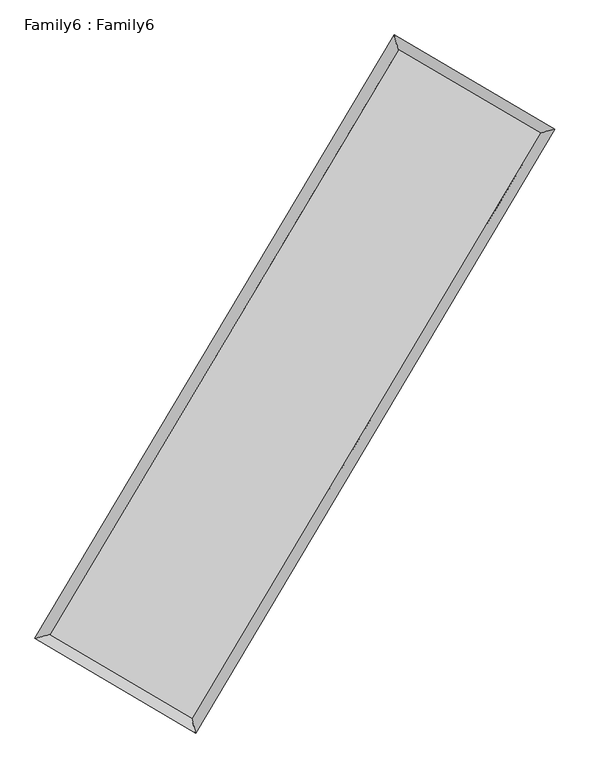
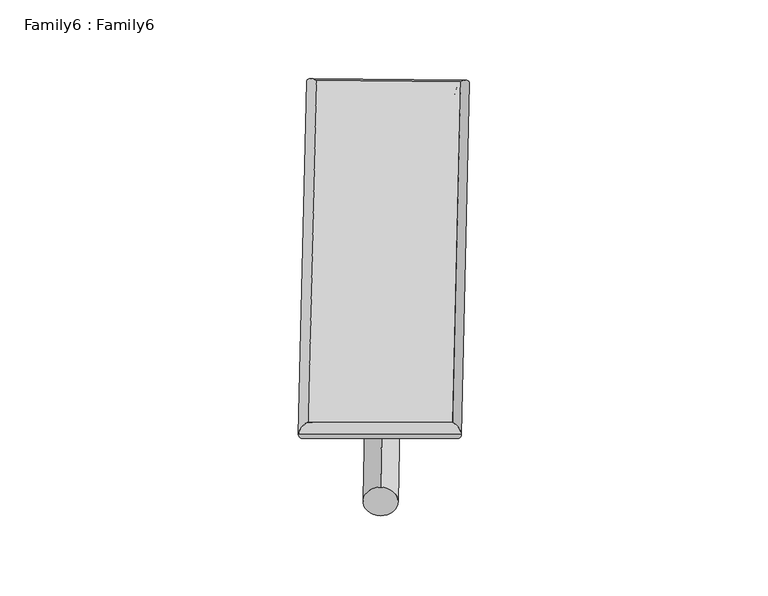
"""IFC4 building model written with IfcOpenShell, lengths in millimetres: plate geometry, Family6 : Family6."""

from ifc_helpers import new_model, si_unit, point, frame, origin, origin_2d, place, context, project, spatial, circle_curve, ellipse_curve, trimmed, segment, composite_curve, outline, extrude, source, transform, mapped, element, save
from ifc_brep_helpers import plane_surface, cylinder_surface, spline_surface, advanced_brep


def family6_family6_c4b91d51(model_context):
    return source(origin(), model_context, "Body", "SolidModel", [
        extrude(outline(composite_curve([segment(trimmed(circle_curve(origin_2d(), 76.2), [point((-75.4341514, -10.7763073))], [point((75.4341514, 10.7763073))], False, "CARTESIAN"), True, "CONTINUOUS"), segment(trimmed(circle_curve(origin_2d(), 76.2), [point((75.4341514, 10.7763073))], [point((-75.4341514, -10.7763073))], False, "CARTESIAN"), True, "CONTINUOUS")], self_intersect=False)), frame((9144.0, 9144.0, 0.0), z_axis=(0.6738109418269476, 0.6871978040954589, 0.27154740418693235), x_axis=(-0.6791004931700763, 0.7207753347275201, -0.13894400679622934)), (0.0, 0.0, 1.0), 5575.9224919),
        extrude(outline(composite_curve([segment(trimmed(circle_curve(origin_2d(), 76.2), [point((-53.8815367, 53.8815367))], [point((53.8815367, -53.8815367))], False, "CARTESIAN"), True, "CONTINUOUS"), segment(trimmed(circle_curve(origin_2d(), 76.2), [point((53.8815367, -53.8815367))], [point((-53.8815367, 53.8815367))], False, "CARTESIAN"), True, "CONTINUOUS")], self_intersect=False)), frame((9144.0, 9144.0, 0.0), z_axis=(-0.6740222214121722, -0.6869838708330411, 0.2715643685350717), x_axis=(0.6402867749224401, -0.35996826329827564, 0.6785688581694888)), (0.0, 0.0, 1.0), 5575.530111),
        extrude(outline(composite_curve([segment(trimmed(circle_curve(origin_2d(), 76.2), [point((-53.8815367, -53.8815367))], [point((53.8815367, 53.8815367))], False, "CARTESIAN"), True, "CONTINUOUS"), segment(trimmed(circle_curve(origin_2d(), 76.2), [point((53.8815367, 53.8815367))], [point((-53.8815367, -53.8815367))], False, "CARTESIAN"), True, "CONTINUOUS")], self_intersect=False)), frame((9144.0, 9144.0, 0.0), z_axis=(0.28175445073848043, 0.9192272430323727, 0.2750194632315331), x_axis=(-0.8386328134014787, 0.37519202256763773, -0.3948746009658333)), (0.0, 0.0, 1.0), 5565.8144148),
        extrude(outline(composite_curve([segment(trimmed(circle_curve(origin_2d(), 76.2), [point((-75.4341514, 10.7763073))], [point((75.4341514, -10.7763073))], False, "CARTESIAN"), True, "CONTINUOUS"), segment(trimmed(circle_curve(origin_2d(), 76.2), [point((75.4341514, -10.7763073))], [point((-75.4341514, 10.7763073))], False, "CARTESIAN"), True, "CONTINUOUS")], self_intersect=False)), frame((9144.0, 9144.0, 0.0), z_axis=(-0.28160016861883047, -0.919323589097945, 0.2748553866343519), x_axis=(0.8761771709045942, -0.12958675939414338, 0.4642422180019239)), (0.0, 0.0, 1.0), 5569.1955171),
        advanced_brep(
        [(5176.703463, 5260.0979158, 1515.4433522), (5595.2435999, 5367.3168784, 1515.7990668), (5595.2341551, 5367.303569, 1512.7872755), (10765.6688246, 14052.1688393, 1528.893947), (10658.7171421, 14468.3276402, 1532.5206386), (5176.6940182, 5260.0846065, 1512.4315609), (12691.7563531, 12921.9181596, 1514.3047928), (13110.4788185, 13029.6052249, 1513.9497644), (7522.3112235, 4232.4202497, 1530.4148705), (7629.1159832, 3815.794128, 1531.0319036)],
        [
            (0, 1, ellipse_curve(frame((5385.9688091, 5313.7007424, 1514.1153138), z_axis=(-0.2481559803145881, 0.9687137559638668, -0.0035026333641995514), x_axis=(-0.9686987870583551, -0.24817287944866825, -0.005734270470450427)), 216.0408827, 152.4)),
            (1, 2, ellipse_curve(frame((5385.9688091, 5313.7007424, 1514.1153138), z_axis=(-0.2481559803145881, 0.9687137559638668, -0.0035026333641995514), x_axis=(-0.9686987870583551, -0.24817287944866825, -0.005734270470450427)), 216.0408827, 152.4)),
            (2, 3),
            (3, 4, ellipse_curve(frame((10712.1929834, 14260.2482397, 1530.7072928), z_axis=(-0.9685137449675821, -0.24893574456627196, 0.003481506298275999), x_axis=(0.24891368064600083, -0.9685085195829256, -0.005764293759903136)), 214.849522, 152.4)),
            (4, 0),
            (2, 5, ellipse_curve(frame((5385.9688091, 5313.7007424, 1514.1153138), z_axis=(-0.2481559803145881, 0.9687137559638668, -0.0035026333641995514), x_axis=(-0.9686987870583551, -0.24817287944866825, -0.005734270470450427)), 216.0408827, 152.4)),
            (5, 0, ellipse_curve(frame((5385.9688091, 5313.7007424, 1514.1153138), z_axis=(-0.2481559803145881, 0.9687137559638668, -0.0035026333641995514), x_axis=(-0.9686987870583551, -0.24817287944866825, -0.005734270470450427)), 216.0408827, 152.4)),
            (4, 3, ellipse_curve(frame((10712.1929834, 14260.2482397, 1530.7072928), z_axis=(-0.9685137449675821, -0.24893574456627196, 0.003481506298275999), x_axis=(0.24891368064600083, -0.9685085195829256, -0.005764293759903136)), 214.849522, 152.4)),
            (3, 6),
            (6, 7, ellipse_curve(frame((12901.1175858, 12975.7616922, 1514.1272786), z_axis=(-0.24907051346549425, 0.9684790174101523, 0.0035031640414153412), x_axis=(-0.9684640691082304, -0.2490873910050097, 0.005728742326714687)), 216.1768313, 152.4)),
            (7, 4),
            (7, 6, ellipse_curve(frame((12901.1175858, 12975.7616922, 1514.1272786), z_axis=(-0.24907051346549425, 0.9684790174101523, 0.0035031640414153412), x_axis=(-0.9684640691082304, -0.2490873910050097, 0.005728742326714687)), 216.1768313, 152.4)),
            (6, 8),
            (8, 9, ellipse_curve(frame((7575.7136033, 4024.1071889, 1530.7233871), z_axis=(0.9686692931635513, 0.24832970649800135, 0.0034867395432632464), x_axis=(-0.24830763941605583, 0.9686640970353251, -0.005760496711620134)), 215.0513857, 152.4)),
            (9, 7),
            (9, 8, ellipse_curve(frame((7575.7136033, 4024.1071889, 1530.7233871), z_axis=(0.9686692931635513, 0.24832970649800135, 0.0034867395432632464), x_axis=(-0.24830763941605583, 0.9686640970353251, -0.005760496711620134)), 215.0513857, 152.4)),
            (8, 1),
            (5, 9),
        ],
        [
            cylinder_surface(frame((5385.9688091, 5313.7007424, 1514.1153138), z_axis=(-0.511546912194196, -0.8592538724034288, -0.0015935445696994323), x_axis=(-0.8592176578946406, 0.5115062222828037, 0.010315082550485659)), 152.4),
            cylinder_surface(frame((10712.1929834, 14260.2482397, 1530.7072928), z_axis=(-0.8624519065557356, 0.5060968617198677, 0.006532643850589643), x_axis=(0.5061307275142882, 0.8624398240826477, 0.005407078892467095)), 152.4),
            cylinder_surface(frame((12901.1175858, 12975.7616922, 1514.1272786), z_axis=(0.5112732347038573, 0.8594167445209098, -0.0015933337804157526), x_axis=(0.8594181098482595, -0.5112732347038573, 0.0004381099171428448)), 152.4),
            cylinder_surface(frame((7575.7136033, 4024.1071889, 1530.7233871), z_axis=(0.8616563074351602, -0.5074501934512943, 0.006535214108898681), x_axis=(-0.5074306941066872, -0.8616809173968262, -0.004481882703710377)), 152.4),
        ],
        [
            (0, [[1, 2, 3, 4, 5]]),
            (0, [[6, 7, -5, 8, -3]]),
            (1, [[-4, 9, 10, 11]]),
            (1, [[-8, -11, 12, -9]]),
            (2, [[-10, 13, 14, 15]]),
            (2, [[-12, -15, 16, -13]]),
            (3, [[-14, 17, -1, -7, 18]]),
            (3, [[-16, -18, -6, -2, -17]]),
        ],
    ),
        extrude(outline(composite_curve([segment(trimmed(circle_curve(origin_2d(), 304.8), [point((0.0, -304.8))], [point((0.0, 304.8))], False, "CARTESIAN"), True, "CONTINUOUS"), segment(trimmed(circle_curve(origin_2d(), 304.8), [point((0.0, 304.8))], [point((0.0, -304.8))], False, "CARTESIAN"), True, "CONTINUOUS")], self_intersect=False)), frame((6480.8499082, 4649.4218346, -3.51e-05), z_axis=(0.5097593752592057, 0.8603170225767618, 6.710042568247974e-09), x_axis=(-0.8603170225767618, 0.5097593752592057, 1.8386689290274573e-09)), (0.0, 0.0, 1.0), 10448.6556641),
        advanced_brep(
        [(5385.9688091, 5313.7007424, 1514.1153138), (7575.7136033, 4024.1071889, 1530.7233871), (7575.7123599, 4024.1080181, 1683.1233871), (5385.9675656, 5313.7015717, 1666.5153138), (12901.1175858, 12975.7616922, 1514.1272786), (12901.1163424, 12975.7625215, 1666.5272786), (10712.1929834, 14260.2482397, 1530.7072928), (10712.1917399, 14260.249069, 1683.1072928)],
        [
            (0, 1),
            (1, 2),
            (2, 3),
            (3, 0),
            (1, 4),
            (4, 5),
            (5, 2),
            (4, 6),
            (6, 7),
            (7, 5),
            (6, 0),
            (3, 7),
        ],
        [
            plane_surface(frame((6480.8412062, 4668.9039656, 1522.4193505), z_axis=(-0.5074610332367927, -0.8616747064559493, 5.48243311726624e-07), x_axis=(0.8616563074351602, -0.507450193451294, 0.006535214108898677))),
            plane_surface(frame((10238.4155946, 8499.9344405, 1522.4253329), z_axis=(0.8594178433663574, -0.5112738702570232, 9.794076973779057e-06), x_axis=(0.5112732347038574, 0.8594167445209098, -0.0015933337804157556))),
            plane_surface(frame((11806.6552846, 13618.004966, 1522.4172857), z_axis=(0.5061076578418795, 0.8624703117635353, -5.636147737105371e-07), x_axis=(-0.8624519065557351, 0.5060968617198678, 0.0065326438505896416))),
            plane_surface(frame((8049.0808962, 9786.9744911, 1522.4113033), z_axis=(-0.8592549553681721, 0.5115475750888805, -9.794237276523985e-06), x_axis=(-0.5115469121941966, -0.8592538724034287, -0.001593544569699431))),
            spline_surface(1, 1, [[(7575.7123599, 4024.1080181, 1683.1233871), (5385.9675656, 5313.7015717, 1666.5153138)], [(12901.1163424, 12975.7625215, 1666.5272786), (10712.1917399, 14260.249069, 1683.1072928)]], [2, 2], [2, 2], [0.0, 1.0], [0.0, 1.0]),
            spline_surface(1, 1, [[(10712.1929834, 14260.2482397, 1530.7072928), (5385.9688091, 5313.7007424, 1514.1153138)], [(12901.1175858, 12975.7616922, 1514.1272786), (7575.7136033, 4024.1071889, 1530.7233871)]], [2, 2], [2, 2], [0.0, 1.0], [0.0, 1.0]),
        ],
        [
            (0, [[1, 2, 3, 4]]),
            (1, [[5, 6, 7, -2]]),
            (2, [[8, 9, 10, -6]]),
            (3, [[11, -4, 12, -9]]),
            (4, [[-3, -7, -10, -12]]),
            (5, [[-11, -8, -5, -1]]),
        ],
    ),
    ])


if __name__ == "__main__":
    model = new_model("IFC4")
    model_context = context("Model", 3, world=origin())
    ifc_project = project(units=[si_unit("LENGTHUNIT", "METRE", prefix="MILLI")], contexts=[model_context])
    site = spatial("IfcSite", under=ifc_project)
    building = spatial("IfcBuilding", under=site)
    placement = place(None, origin())
    family6_family6_shape = family6_family6_c4b91d51(model_context)
    element("IfcPlate", 1, ObjectType="Family6 : Family6", at=placement, inside=building, context=model_context, shape_type="MappedRepresentation", body=[
        mapped(family6_family6_shape, transform((0.0, 0.0, 0.0), x_axis=(1.0, 0.0, 0.0), y_axis=(0.0, 1.0, 0.0), z_axis=(0.0, 0.0, 1.0))),
    ])
    save(model, "model.ifc")
